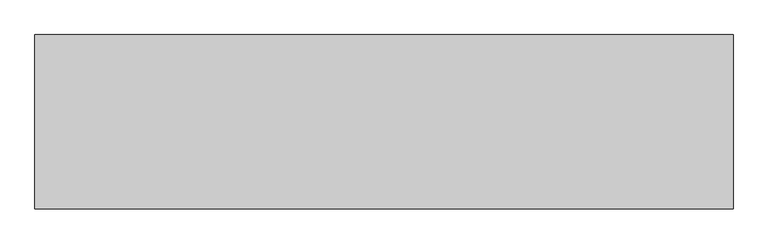
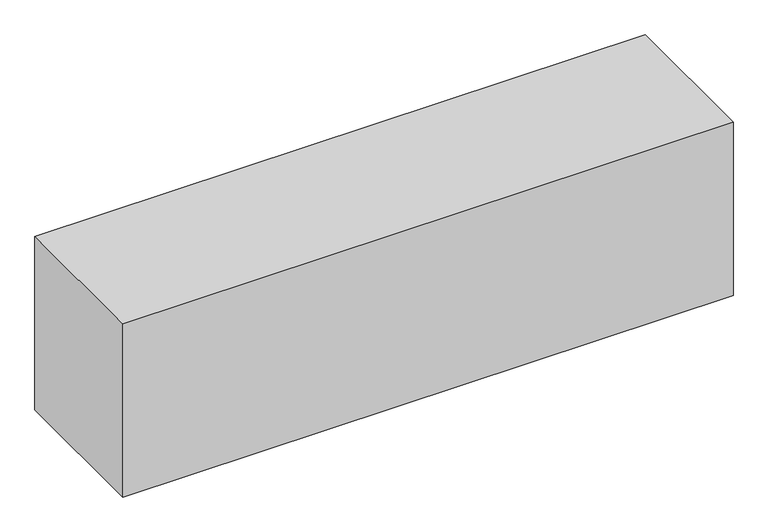
"""IFC4 building model written with IfcOpenShell, lengths in millimetres: proxy geometry."""

from ifc_helpers import new_model, si_unit, origin, origin_with_axes, place, context, project, spatial, polyline, outline, extrude, source, transform, mapped, element, save


def generic_models_a1e85bbc(model_context):
    return source(origin(), model_context, "Body", "SweptSolid", [
        extrude(outline(polyline([(-480.7030535, 40.8346095), (-480.7030535, -9959.1653905), (-40480.7030535, -9959.1653905), (-40480.7030535, 40.8346095), (-480.7030535, 40.8346095)])), origin_with_axes(), (0.0, 0.0, 1.0), 12000.0),
    ])


if __name__ == "__main__":
    model = new_model("IFC4")
    model_context = context("Model", 3, world=origin())
    ifc_project = project(units=[si_unit("LENGTHUNIT", "METRE", prefix="MILLI")], contexts=[model_context])
    site = spatial("IfcSite", under=ifc_project)
    building = spatial("IfcBuilding", under=site)
    placement = place(None, origin())
    generic_models_shape = generic_models_a1e85bbc(model_context)
    element("IfcBuildingElementProxy", 1, Name="Generic Models", at=placement, inside=building, context=model_context, shape_type="MappedRepresentation", body=[
        mapped(generic_models_shape, transform((0.0, 0.0, 0.0), x_axis=(1.0, 0.0, 0.0), y_axis=(0.0, 1.0, 0.0), z_axis=(0.0, 0.0, 1.0))),
    ])
    save(model, "model.ifc")
